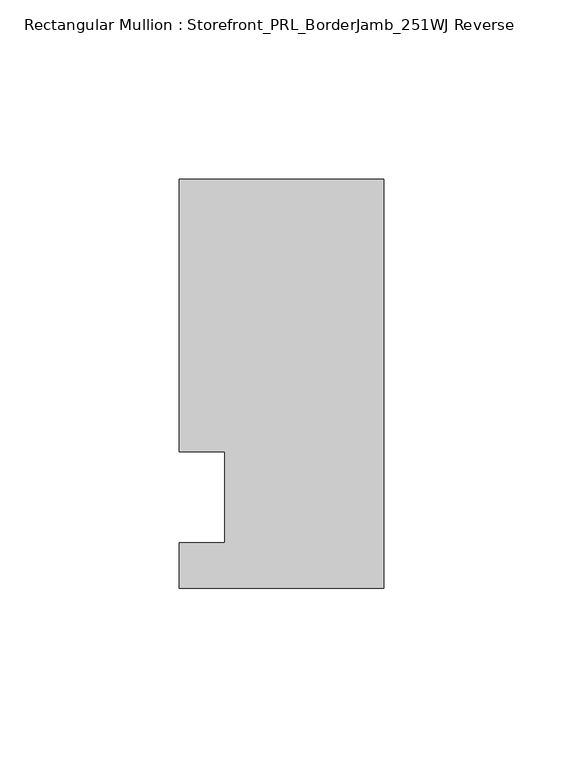
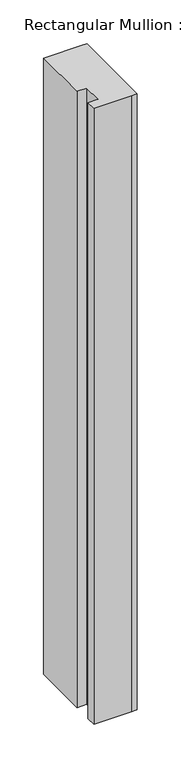
"""IFC4 building model written with IfcOpenShell, lengths in millimetres: member geometry, Rectangular Mullion : Storefront_PRL_BorderJamb_251WJ Reverse."""

from ifc_helpers import new_model, si_unit, frame, origin, place, context, project, spatial, polyline, outline, extrude, source, transform, mapped, element, save


def rectangular_mullion_storefront_prl_borderjamb_251wj_reverse_4c13e117(model_context):
    return source(origin(), model_context, "Body", "SweptSolid", [
        extrude(outline(polyline([(-44.45, 12.7), (-57.15, 12.7), (-57.15, 88.9), (-6.35, 88.9), (0.0, 88.9), (0.0, -25.4), (-7.3958824, -25.4), (-57.15, -25.4), (-57.15, -12.7), (-44.45, -12.7), (-44.45, 12.7)])), frame((0.0, 0.0, -857.25), z_axis=(0.0, 0.0, 1.0), x_axis=(1.0, 0.0, 0.0)), (0.0, 0.0, 1.0), 857.25),
    ])


if __name__ == "__main__":
    model = new_model("IFC4")
    model_context = context("Model", 3, world=origin())
    ifc_project = project(units=[si_unit("LENGTHUNIT", "METRE", prefix="MILLI")], contexts=[model_context])
    site = spatial("IfcSite", under=ifc_project)
    building = spatial("IfcBuilding", under=site)
    placement = place(None, origin())
    rectangular_mullion_storefront_prl_borderjamb_251wj_reverse_shape = rectangular_mullion_storefront_prl_borderjamb_251wj_reverse_4c13e117(model_context)
    element("IfcMember", 1, ObjectType="Rectangular Mullion : Storefront_PRL_BorderJamb_251WJ Reverse", at=placement, inside=building, context=model_context, shape_type="MappedRepresentation", body=[
        mapped(rectangular_mullion_storefront_prl_borderjamb_251wj_reverse_shape, transform((0.0, 0.0, 0.0), x_axis=(1.0, 0.0, 0.0), y_axis=(0.0, 1.0, 0.0), z_axis=(0.0, 0.0, 1.0))),
    ])
    save(model, "model.ifc")
